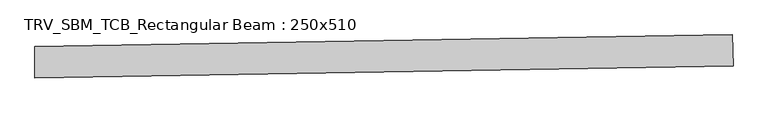
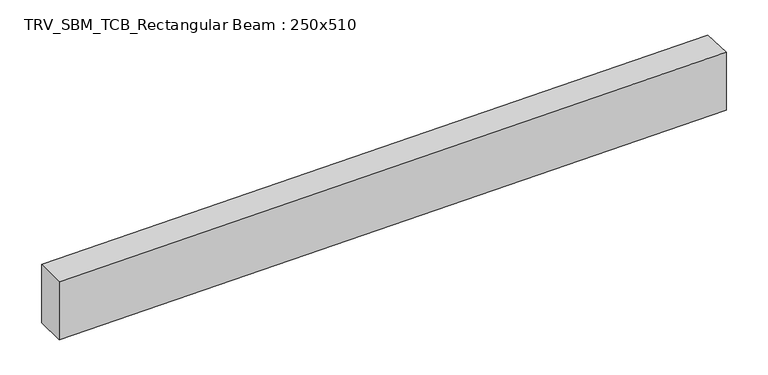
"""IFC4 building model written with IfcOpenShell, lengths in millimetres: beam geometry, TRV_SBM_TCB_Rectangular Beam : 250x510."""

from ifc_helpers import new_model, si_unit, point, frame, frame_2d, origin, place, context, project, spatial, polyline, circle_curve, trimmed, segment, composite_curve, outline, extrude, source, transform, mapped, element, save


def trv_sbm_tcb_rectangular_beam_250x510_c3970104(model_context):
    return source(origin(), model_context, "Body", "SweptSolid", [
        extrude(outline(composite_curve([segment(polyline([(5561.5717362, 221.6538876), (5570.2585526, -28.1951452)]), True, "CONTINUOUS"), segment(trimmed(circle_curve(frame_2d((0.0, 160182.8254476)), 160307.8254476), [point((5570.2585526, -28.1951452))], [point((-12.7106772, -124.9994961))], False, "CARTESIAN"), True, "CONTINUOUS"), segment(polyline([(-12.7106772, -124.9994961), (-12.6908549, 125.0005031)]), True, "CONTINUOUS"), segment(trimmed(circle_curve(frame_2d((0.0, 160182.8254476)), 160057.8254476), [point((-12.6908549, 125.0005031))], [point((5561.5717362, 221.6538876))], True, "CARTESIAN"), True, "CONTINUOUS")], self_intersect=False)), frame((0.0, 0.0, -255.0), z_axis=(0.0, 0.0, 1.0), x_axis=(1.0, 0.0, 0.0)), (0.0, 0.0, 1.0), 510.0),
    ])


if __name__ == "__main__":
    model = new_model("IFC4")
    model_context = context("Model", 3, world=origin())
    ifc_project = project(units=[si_unit("LENGTHUNIT", "METRE", prefix="MILLI")], contexts=[model_context])
    site = spatial("IfcSite", under=ifc_project)
    building = spatial("IfcBuilding", under=site)
    placement = place(None, origin())
    trv_sbm_tcb_rectangular_beam_250x510_shape = trv_sbm_tcb_rectangular_beam_250x510_c3970104(model_context)
    element("IfcBeam", 1, ObjectType="TRV_SBM_TCB_Rectangular Beam : 250x510", at=placement, inside=building, context=model_context, shape_type="MappedRepresentation", body=[
        mapped(trv_sbm_tcb_rectangular_beam_250x510_shape, transform((0.0, 0.0, 0.0), x_axis=(1.0, 0.0, 0.0), y_axis=(0.0, 1.0, 0.0), z_axis=(0.0, 0.0, 1.0))),
    ])
    save(model, "model.ifc")
